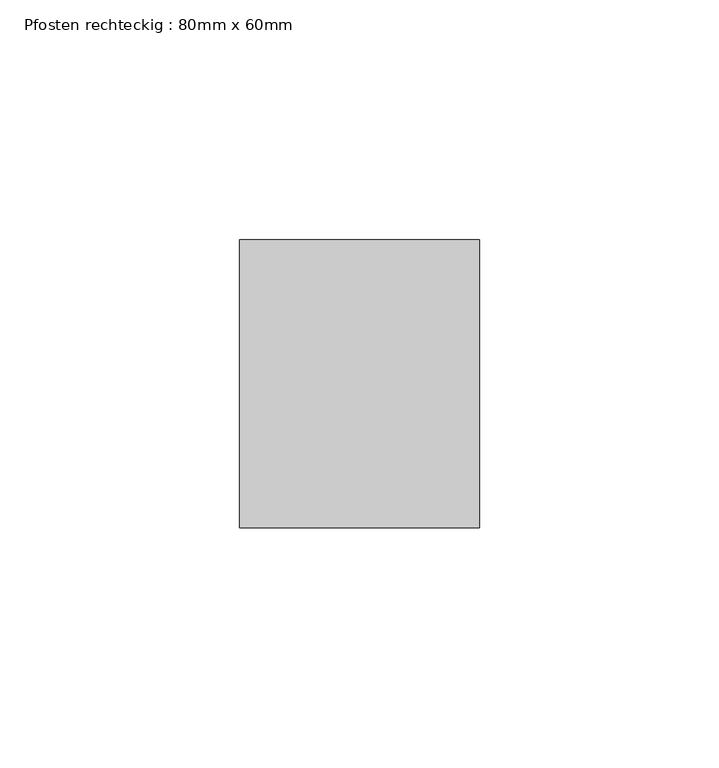
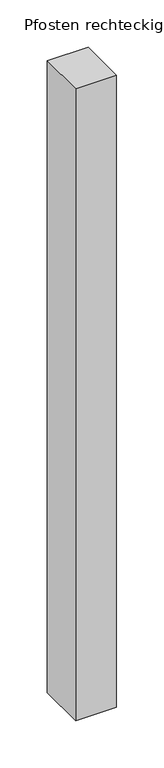
"""IFC4 building model written with IfcOpenShell, lengths in millimetres: member geometry, Pfosten rechteckig : 80mm x 60mm."""

from ifc_helpers import new_model, si_unit, frame, origin, place, context, project, spatial, polyline, outline, extrude, source, transform, mapped, element, save


def pfosten_rechteckig_80mm_x_60mm_8e3baf77(model_context):
    return source(origin(), model_context, "Body", "SweptSolid", [
        extrude(outline(polyline([(0.0, 30.0), (0.0, -30.0), (-50.0, -30.0), (-50.0, 30.0), (0.0, 30.0)])), frame((0.0, 0.0, -816.6666667), z_axis=(0.0, 0.0, 1.0), x_axis=(1.0, 0.0, 0.0)), (0.0, 0.0, 1.0), 816.6666667),
    ])


if __name__ == "__main__":
    model = new_model("IFC4")
    model_context = context("Model", 3, world=origin())
    ifc_project = project(units=[si_unit("LENGTHUNIT", "METRE", prefix="MILLI")], contexts=[model_context])
    site = spatial("IfcSite", under=ifc_project)
    building = spatial("IfcBuilding", under=site)
    placement = place(None, origin())
    pfosten_rechteckig_80mm_x_60mm_shape = pfosten_rechteckig_80mm_x_60mm_8e3baf77(model_context)
    element("IfcMember", 1, ObjectType="Pfosten rechteckig : 80mm x 60mm", at=placement, inside=building, context=model_context, shape_type="MappedRepresentation", body=[
        mapped(pfosten_rechteckig_80mm_x_60mm_shape, transform((0.0, 0.0, 0.0), x_axis=(1.0, 0.0, 0.0), y_axis=(0.0, 1.0, 0.0), z_axis=(0.0, 0.0, 1.0))),
    ])
    save(model, "model.ifc")
